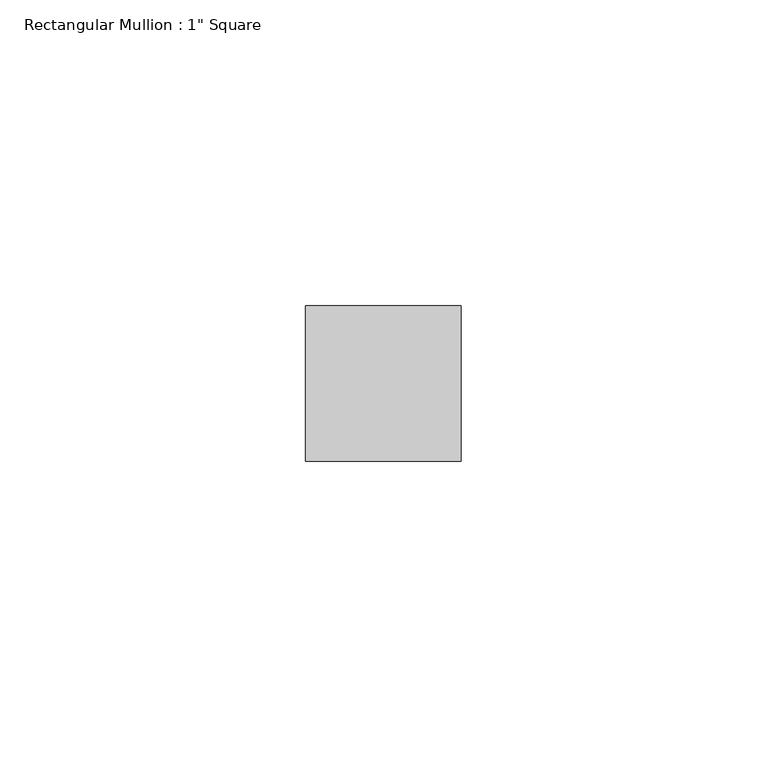
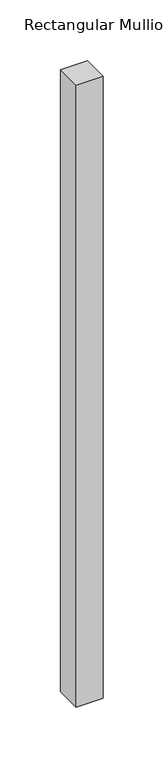
"""IFC4 building model written with IfcOpenShell, lengths in millimetres: member geometry."""

from ifc_helpers import new_model, si_unit, frame, origin, place, context, project, spatial, polyline, outline, extrude, source, transform, mapped, element, save


def member_dedff346(model_context):
    return source(origin(), model_context, "Body", "SweptSolid", [
        extrude(outline(polyline([(0.0, 12.7), (0.0, -12.7), (-25.4, -12.7), (-25.4, 12.7), (0.0, 12.7)])), frame((0.0, 0.0, -622.3), z_axis=(0.0, 0.0, 1.0), x_axis=(1.0, 0.0, 0.0)), (0.0, 0.0, 1.0), 622.3),
    ])


if __name__ == "__main__":
    model = new_model("IFC4")
    model_context = context("Model", 3, world=origin())
    ifc_project = project(units=[si_unit("LENGTHUNIT", "METRE", prefix="MILLI")], contexts=[model_context])
    site = spatial("IfcSite", under=ifc_project)
    building = spatial("IfcBuilding", under=site)
    placement = place(None, origin())
    member_shape = member_dedff346(model_context)
    element("IfcMember", 1, ObjectType="Rectangular Mullion : 1\" Square", at=placement, inside=building, context=model_context, shape_type="MappedRepresentation", body=[
        mapped(member_shape, transform((0.0, 0.0, 0.0), x_axis=(1.0, 0.0, 0.0), y_axis=(0.0, 1.0, 0.0), z_axis=(0.0, 0.0, 1.0))),
    ])
    save(model, "model.ifc")
